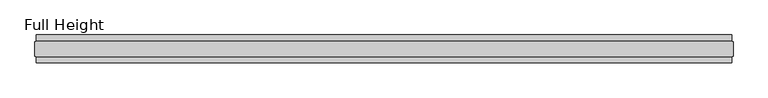
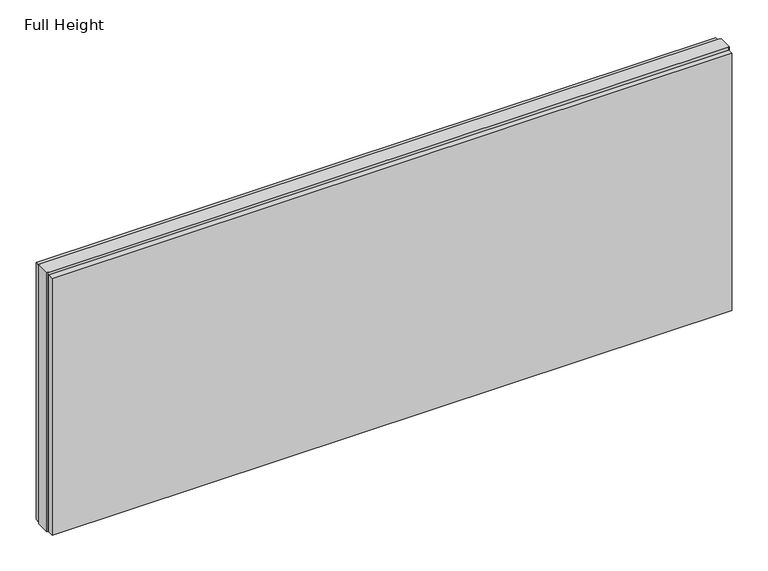
"""IFC4 building model written with IfcOpenShell, lengths in millimetres: plate geometry, Full Height."""

from ifc_helpers import new_model, si_unit, origin, origin_with_axes, place, context, project, spatial, polyline, outline, extrude, source, transform, mapped, element, save


def full_height_a1113423(model_context):
    return source(origin(), model_context, "Body", "SweptSolid", [
        extrude(outline(polyline([(1227.328, 28.956), (-1227.328, 28.956), (-1227.328, 49.53), (1227.328, 49.53), (1227.328, 28.956)])), origin_with_axes(), (0.0, 0.0, 1.0), 981.456),
        extrude(outline(polyline([(1227.328, -28.956), (1227.328, -49.53), (-1227.328, -49.53), (-1227.328, -28.956), (1227.328, -28.956)])), origin_with_axes(), (0.0, 0.0, 1.0), 981.456),
        extrude(outline(polyline([(1227.328, -25.146), (1227.328, -26.67), (-1227.328, -26.67), (-1227.328, -25.146), (-1231.9, -25.146), (-1231.9, 25.146), (-1227.328, 25.146), (-1227.328, 26.67), (1227.328, 26.67), (1227.328, 25.146), (1231.9, 25.146), (1231.9, -25.146), (1227.328, -25.146)])), origin_with_axes(), (0.0, 0.0, 1.0), 990.6),
    ])


if __name__ == "__main__":
    model = new_model("IFC4")
    model_context = context("Model", 3, world=origin())
    ifc_project = project(units=[si_unit("LENGTHUNIT", "METRE", prefix="MILLI")], contexts=[model_context])
    site = spatial("IfcSite", under=ifc_project)
    building = spatial("IfcBuilding", under=site)
    placement = place(None, origin())
    full_height_shape = full_height_a1113423(model_context)
    element("IfcPlate", 1, ObjectType="Full Height", at=placement, inside=building, context=model_context, shape_type="MappedRepresentation", body=[
        mapped(full_height_shape, transform((0.0, 0.0, 0.0), x_axis=(1.0, 0.0, 0.0), y_axis=(0.0, 1.0, 0.0), z_axis=(0.0, 0.0, 1.0))),
    ])
    save(model, "model.ifc")
